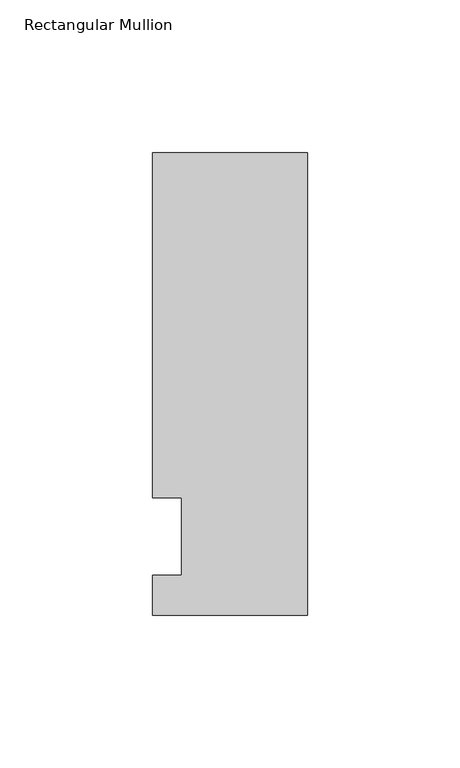
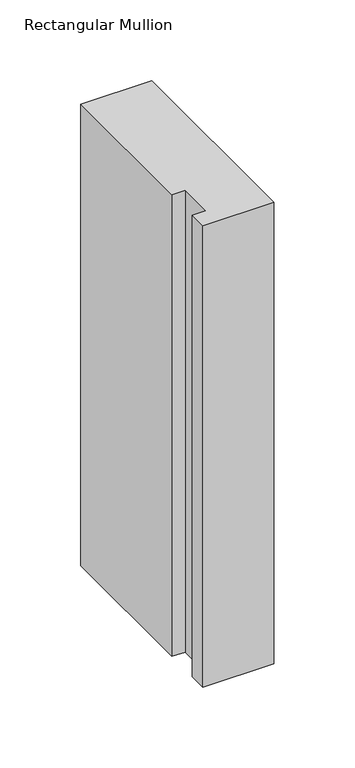
"""IFC4 building model written with IfcOpenShell, lengths in millimetres: member geometry, Rectangular Mullion."""

from ifc_helpers import new_model, si_unit, frame, origin, place, context, project, spatial, polyline, outline, extrude, source, transform, mapped, element, save


def rectangular_mullion_c9880bae(model_context):
    return source(origin(), model_context, "Body", "SweptSolid", [
        extrude(outline(polyline([(-50.8, -25.7961253), (-50.8, -12.7), (-41.275, -12.7), (-41.275, 12.7), (-50.8, 12.7), (-50.8, 125.8036906), (0.0, 125.8036906), (0.0, -25.7961253), (-50.8, -25.7961253)])), frame((0.0, 0.0, -349.25), z_axis=(0.0, 0.0, 1.0), x_axis=(1.0, 0.0, 0.0)), (0.0, 0.0, 1.0), 349.25),
    ])


if __name__ == "__main__":
    model = new_model("IFC4")
    model_context = context("Model", 3, world=origin())
    ifc_project = project(units=[si_unit("LENGTHUNIT", "METRE", prefix="MILLI")], contexts=[model_context])
    site = spatial("IfcSite", under=ifc_project)
    building = spatial("IfcBuilding", under=site)
    placement = place(None, origin())
    rectangular_mullion_shape = rectangular_mullion_c9880bae(model_context)
    element("IfcMember", 1, ObjectType="Rectangular Mullion", at=placement, inside=building, context=model_context, shape_type="MappedRepresentation", body=[
        mapped(rectangular_mullion_shape, transform((0.0, 0.0, 0.0), x_axis=(1.0, 0.0, 0.0), y_axis=(0.0, 1.0, 0.0), z_axis=(0.0, 0.0, 1.0))),
    ])
    save(model, "model.ifc")
